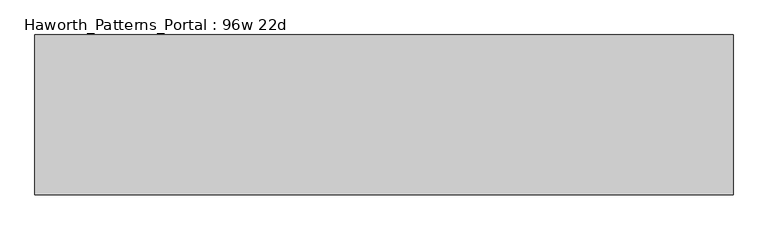
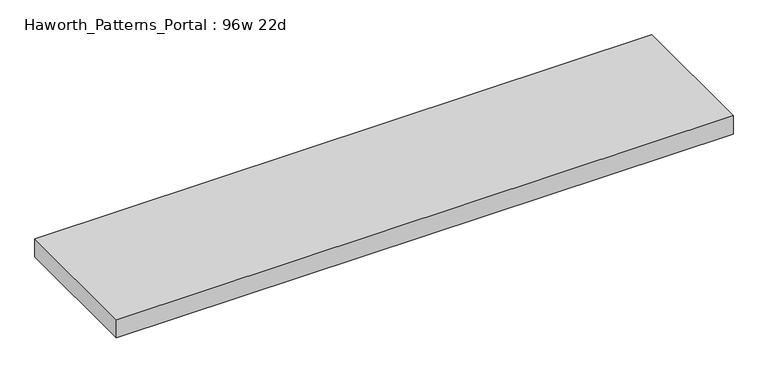
"""IFC4 building model written with IfcOpenShell, lengths in millimetres: furniture geometry, Haworth_Patterns_Portal : 96w 22d."""

from ifc_helpers import new_model, si_unit, frame, origin, place, context, project, spatial, polyline, outline, extrude, source, transform, mapped, element, save


def haworth_patterns_portal_96w_22d_fd91d3e0(model_context):
    return source(origin(), model_context, "Body", "SweptSolid", [
        extrude(outline(polyline([(1219.2, 279.4), (1219.2, -279.4), (-1219.2, -279.4), (-1219.2, 279.4), (1219.2, 279.4)])), frame((0.0, 0.0, 2349.5), z_axis=(0.0, 0.0, 1.0), x_axis=(1.0, 0.0, 0.0)), (0.0, 0.0, 1.0), 76.2),
    ])


if __name__ == "__main__":
    model = new_model("IFC4")
    model_context = context("Model", 3, world=origin())
    ifc_project = project(units=[si_unit("LENGTHUNIT", "METRE", prefix="MILLI")], contexts=[model_context])
    site = spatial("IfcSite", under=ifc_project)
    building = spatial("IfcBuilding", under=site)
    placement = place(None, origin())
    haworth_patterns_portal_96w_22d_shape = haworth_patterns_portal_96w_22d_fd91d3e0(model_context)
    element("IfcFurniture", 1, ObjectType="Haworth_Patterns_Portal : 96w 22d", at=placement, inside=building, context=model_context, shape_type="MappedRepresentation", body=[
        mapped(haworth_patterns_portal_96w_22d_shape, transform((0.0, 0.0, 0.0), x_axis=(1.0, 0.0, 0.0), y_axis=(0.0, 1.0, 0.0), z_axis=(0.0, 0.0, 1.0))),
    ])
    save(model, "model.ifc")
